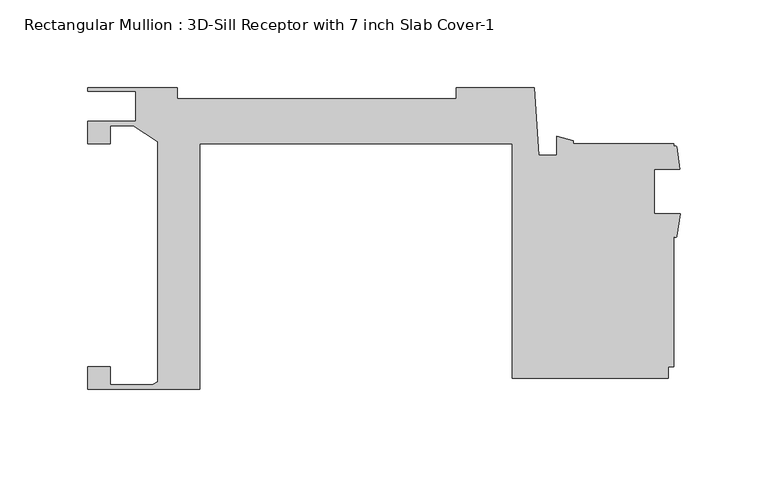
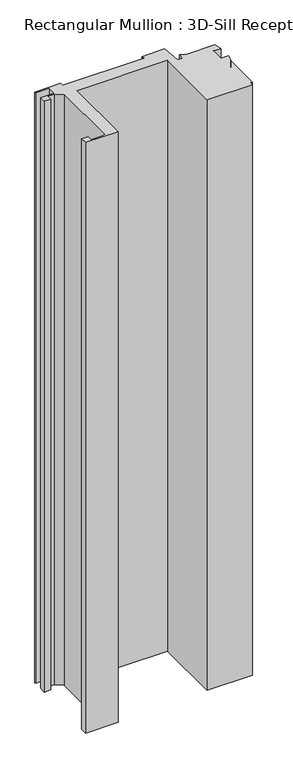
"""IFC4 building model written with IfcOpenShell, lengths in millimetres: member geometry, Rectangular Mullion : 3D-Sill Receptor with 7 inch Slab Cover-1."""

from ifc_helpers import new_model, si_unit, point, frame, frame_2d, origin, place, context, project, spatial, polyline, circle_curve, trimmed, segment, composite_curve, outline, extrude, source, transform, mapped, element, save


def rectangular_mullion_3d_sill_receptor_with_7_inch_slab_cover_3ae3b54e(model_context):
    return source(origin(), model_context, "Body", "SweptSolid", [
        extrude(outline(composite_curve([segment(polyline([(-301.6250631, 85.7239377), (-250.8250631, 85.7239377), (-250.8250631, 79.6103713), (-92.0750635, 79.6103713), (-92.0750635, 85.7249352), (-47.742764, 85.7249352), (-45.0850635, 47.3577987), (-34.9250635, 47.3577987), (-34.9250635, 58.1484157), (-25.4000635, 55.706233), (-25.4000635, 53.9749687), (31.7500635, 53.9749687), (31.7500635, 52.2427313)]), True, "CONTINUOUS"), segment(trimmed(circle_curve(frame_2d((32.5430116, 51.7865904)), 0.9147848), [point((31.7500635, 52.2427313))], [point((33.3359598, 52.2427313))], False, "CARTESIAN"), True, "CONTINUOUS"), segment(polyline([(33.3359598, 52.2427313), (35.1460635, 39.4714437), (20.6375635, 39.4714437), (20.6375635, 14.0714437), (35.2695852, 14.0714437), (33.4134679, 1.2983909)]), True, "CONTINUOUS"), segment(trimmed(circle_curve(frame_2d((32.5844058, 1.6862927)), 0.9153206), [point((33.4134679, 1.2983909))], [point((31.7500635, 1.3098823))], False, "CARTESIAN"), True, "CONTINUOUS"), segment(polyline([(31.7500635, 1.3098823), (31.7500635, -73.0250313), (28.5749095, -73.0250313), (28.5749095, -79.3749687), (-60.3250635, -79.3749687), (-60.3250635, 53.9749687), (-238.1250635, 53.9749687), (-238.1250635, -85.7260621), (-301.5996635, -85.7260621), (-301.5996635, -73.0060061), (-288.8996635, -73.0060061), (-288.8996635, -83.1860621), (-266.3825635, -83.1860621)]), True, "CONTINUOUS"), segment(trimmed(circle_curve(frame_2d((-266.3825635, -76.8360621)), 6.35), [point((-266.3825635, -83.1860621))], [point((-261.9248631, -81.3583854))], True, "CARTESIAN"), True, "CONTINUOUS"), segment(polyline([(-261.9248631, -81.3583854), (-261.9248631, 54.9528506), (-275.9196088, 64.2512805), (-288.9504635, 64.2512805), (-288.9504635, 53.9509672), (-301.6250631, 53.9509672), (-301.6250631, 66.7912805), (-274.4652626, 66.7912805), (-274.4652626, 83.6919377), (-301.6250631, 83.6919377), (-301.6250631, 85.7239377)]), True, "CONTINUOUS")], self_intersect=False)), frame((0.0, 0.0, -1219.2), z_axis=(0.0, 0.0, 1.0), x_axis=(1.0, 0.0, 0.0)), (0.0, 0.0, 1.0), 1219.2),
    ])


if __name__ == "__main__":
    model = new_model("IFC4")
    model_context = context("Model", 3, world=origin())
    ifc_project = project(units=[si_unit("LENGTHUNIT", "METRE", prefix="MILLI")], contexts=[model_context])
    site = spatial("IfcSite", under=ifc_project)
    building = spatial("IfcBuilding", under=site)
    placement = place(None, origin())
    rectangular_mullion_3d_sill_receptor_with_7_inch_slab_cover_shape = rectangular_mullion_3d_sill_receptor_with_7_inch_slab_cover_3ae3b54e(model_context)
    element("IfcMember", 1, ObjectType="Rectangular Mullion : 3D-Sill Receptor with 7 inch Slab Cover-1", at=placement, inside=building, context=model_context, shape_type="MappedRepresentation", body=[
        mapped(rectangular_mullion_3d_sill_receptor_with_7_inch_slab_cover_shape, transform((0.0, 0.0, 0.0), x_axis=(1.0, 0.0, 0.0), y_axis=(0.0, 1.0, 0.0), z_axis=(0.0, 0.0, 1.0))),
    ])
    save(model, "model.ifc")
